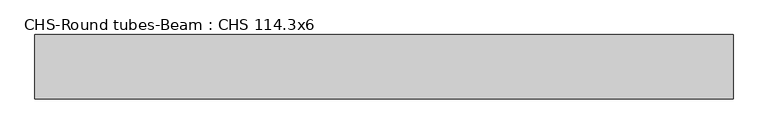
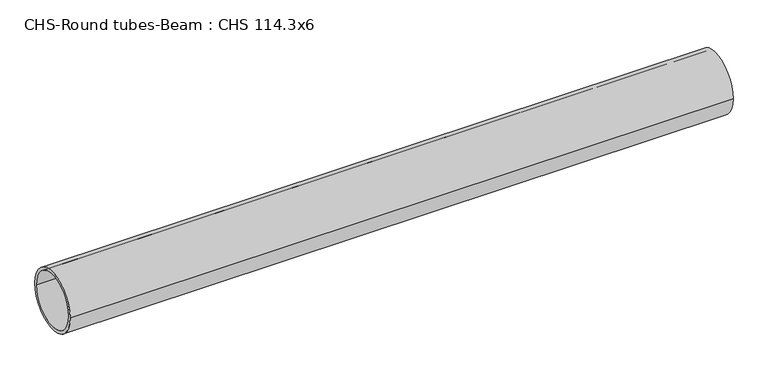
"""IFC4 building model written with IfcOpenShell, lengths in millimetres: beam geometry, CHS-Round tubes-Beam : CHS 114.3x6."""

from ifc_helpers import new_model, si_unit, point, frame, origin, origin_2d, place, context, project, spatial, circle_curve, trimmed, segment, composite_curve, outline, extrude, source, transform, mapped, element, save


def chs_round_tubes_beam_chs_114_3x6_8ea809ee(model_context):
    return source(origin(), model_context, "Body", "SweptSolid", [
        extrude(outline(composite_curve([segment(trimmed(circle_curve(origin_2d(), 57.15), [point((57.15, 0.0))], [point((-57.15, 0.0))], False, "CARTESIAN"), True, "CONTINUOUS"), segment(trimmed(circle_curve(origin_2d(), 57.15), [point((-57.15, 0.0))], [point((57.15, 0.0))], False, "CARTESIAN"), True, "CONTINUOUS")], self_intersect=False), holes=[composite_curve([segment(trimmed(circle_curve(origin_2d(), 51.15), [point((51.15, 0.0))], [point((-51.15, 0.0))], True, "CARTESIAN"), True, "CONTINUOUS"), segment(trimmed(circle_curve(origin_2d(), 51.15), [point((-51.15, 0.0))], [point((51.15, 0.0))], True, "CARTESIAN"), True, "CONTINUOUS")], self_intersect=False)]), frame((-619.9979746, 0.0, 0.0), z_axis=(1.0, 0.0, 0.0), x_axis=(0.0, 1.0, 0.0)), (0.0, 0.0, 1.0), 1239.9932686),
    ])


if __name__ == "__main__":
    model = new_model("IFC4")
    model_context = context("Model", 3, world=origin())
    ifc_project = project(units=[si_unit("LENGTHUNIT", "METRE", prefix="MILLI")], contexts=[model_context])
    site = spatial("IfcSite", under=ifc_project)
    building = spatial("IfcBuilding", under=site)
    placement = place(None, origin())
    chs_round_tubes_beam_chs_114_3x6_shape = chs_round_tubes_beam_chs_114_3x6_8ea809ee(model_context)
    element("IfcBeam", 1, ObjectType="CHS-Round tubes-Beam : CHS 114.3x6", at=placement, inside=building, context=model_context, shape_type="MappedRepresentation", body=[
        mapped(chs_round_tubes_beam_chs_114_3x6_shape, transform((0.0, 0.0, 0.0), x_axis=(1.0, 0.0, 0.0), y_axis=(0.0, 1.0, 0.0), z_axis=(0.0, 0.0, 1.0))),
    ])
    save(model, "model.ifc")
